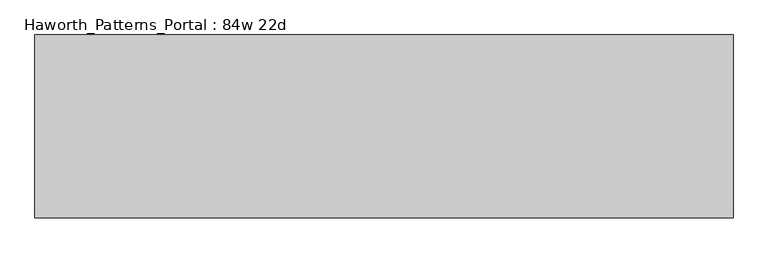
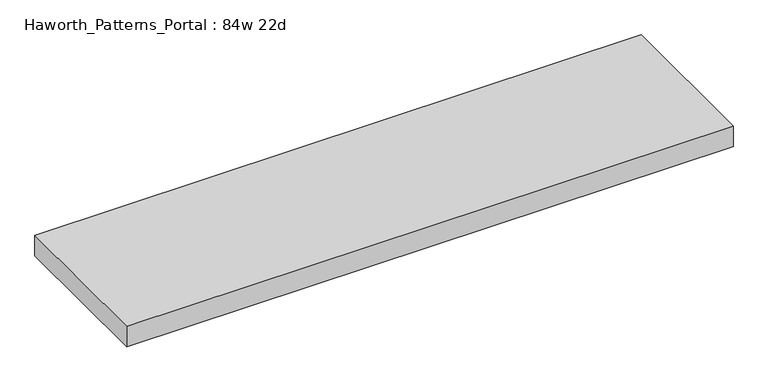
"""IFC4 building model written with IfcOpenShell, lengths in millimetres: furniture geometry, Haworth_Patterns_Portal : 84w 22d."""

from ifc_helpers import new_model, si_unit, frame, origin, place, context, project, spatial, polyline, outline, extrude, source, transform, mapped, element, save


def haworth_patterns_portal_84w_22d_4da7cd43(model_context):
    return source(origin(), model_context, "Body", "SweptSolid", [
        extrude(outline(polyline([(1066.8, 279.4), (1066.8, -279.4), (-1066.8, -279.4), (-1066.8, 279.4), (1066.8, 279.4)])), frame((0.0, 0.0, 2349.5), z_axis=(0.0, 0.0, 1.0), x_axis=(1.0, 0.0, 0.0)), (0.0, 0.0, 1.0), 76.2),
    ])


if __name__ == "__main__":
    model = new_model("IFC4")
    model_context = context("Model", 3, world=origin())
    ifc_project = project(units=[si_unit("LENGTHUNIT", "METRE", prefix="MILLI")], contexts=[model_context])
    site = spatial("IfcSite", under=ifc_project)
    building = spatial("IfcBuilding", under=site)
    placement = place(None, origin())
    haworth_patterns_portal_84w_22d_shape = haworth_patterns_portal_84w_22d_4da7cd43(model_context)
    element("IfcFurniture", 1, ObjectType="Haworth_Patterns_Portal : 84w 22d", at=placement, inside=building, context=model_context, shape_type="MappedRepresentation", body=[
        mapped(haworth_patterns_portal_84w_22d_shape, transform((0.0, 0.0, 0.0), x_axis=(1.0, 0.0, 0.0), y_axis=(0.0, 1.0, 0.0), z_axis=(0.0, 0.0, 1.0))),
    ])
    save(model, "model.ifc")
